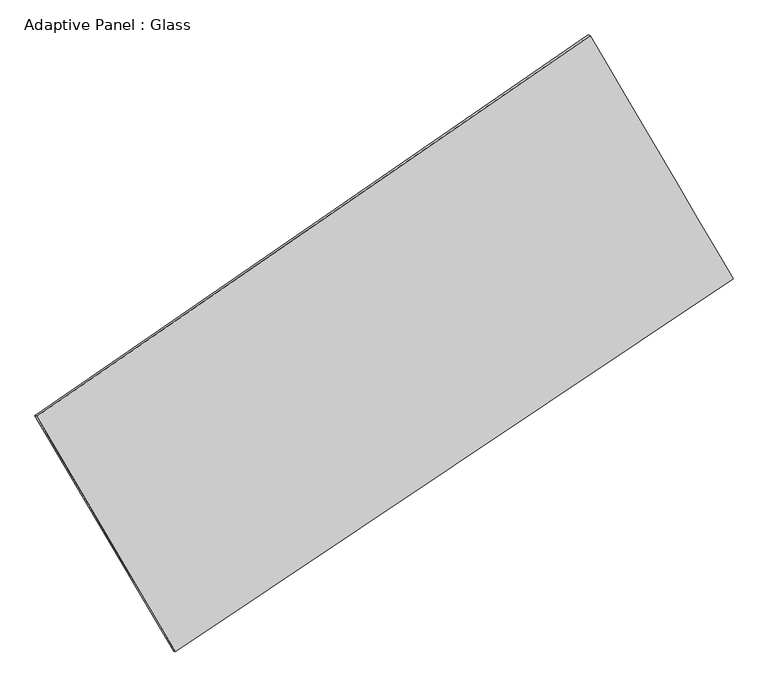
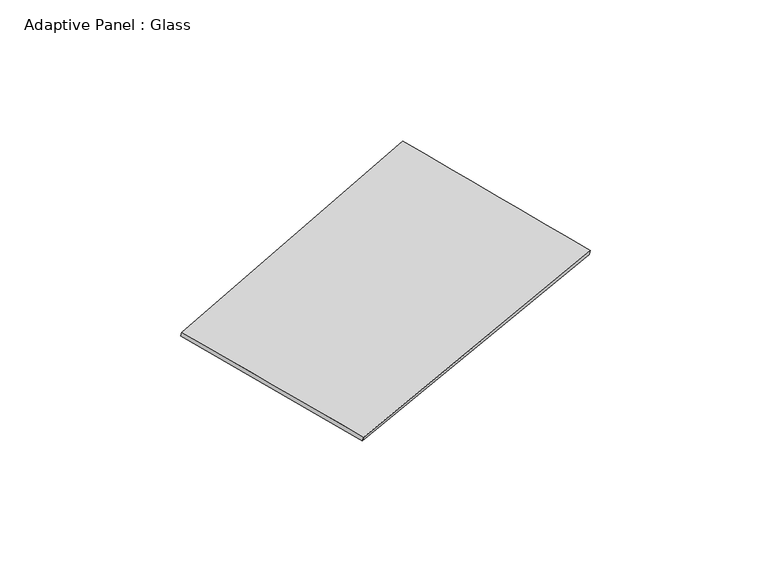
"""IFC4 building model written with IfcOpenShell, lengths in millimetres: plate geometry, Adaptive Panel : Glass."""

from ifc_helpers import new_model, si_unit, frame, origin, place, context, project, spatial, source, transform, mapped, element, save
from ifc_brep_helpers import plane_surface, spline_surface, advanced_brep


def adaptive_panel_glass_f2feb092(model_context):
    return source(origin(), model_context, "Body", "AdvancedBrep", [
        advanced_brep(
        [(1128.681574, 2573.1808657, 684.8736375), (-3644.6219937, -710.5562114, 1711.2782552), (-3629.9556379, -716.9363049, 1758.6511632), (1143.3479298, 2566.8007722, 732.2465455), (-2448.2457289, -2739.4079446, 1076.9334097), (-2433.5793731, -2745.788038, 1124.3063177), (2360.8955705, 476.5347174, 12.0372178), (2375.5619263, 470.154624, 59.4101259)],
        [
            (0, 1),
            (1, 2),
            (2, 3),
            (3, 0),
            (1, 4),
            (4, 5),
            (5, 2),
            (4, 6),
            (6, 7),
            (7, 5),
            (6, 0),
            (3, 7),
        ],
        [
            plane_surface(frame((-1257.9702099, 931.3123271, 1198.0759463), z_axis=(-0.506502567338138, 0.8197865872108748, 0.267217328609171), x_axis=(-0.8112414133239559, -0.5580838238395702, 0.17444143681119473))),
            plane_surface(frame((-3046.4338613, -1724.982078, 1394.1058324), z_axis=(-0.8212390487236574, -0.5409837700429985, 0.1813918008111909), x_axis=(0.49046855634194225, -0.8317516904013551, -0.2600571490160182))),
            plane_surface(frame((-43.6750792, -1131.4366136, 544.4853138), z_axis=(0.49487086399025787, -0.8276762446812381, -0.2646787901663055), x_axis=(0.8175297447066106, 0.5466940186996322, -0.1810269771000733))),
            plane_surface(frame((1744.7885722, 1524.8577916, 348.4554277), z_axis=(0.8212899155816545, 0.5408973593321872, -0.1814191865028221), x_axis=(-0.48833653306580593, 0.8309180986684971, 0.2666506024339696))),
            spline_surface(1, 1, [[(-3629.9556379, -716.9363049, 1758.6511632), (1143.3479298, 2566.8007722, 732.2465455)], [(-2433.5793731, -2745.788038, 1124.3063177), (2375.5619263, 470.154624, 59.4101259)]], [2, 2], [2, 2], [0.0, 1.0], [0.0, 1.0]),
            spline_surface(1, 1, [[(2360.8955705, 476.5347174, 12.0372178), (1128.681574, 2573.1808657, 684.8736375)], [(-2448.2457289, -2739.4079446, 1076.9334097), (-3644.6219937, -710.5562114, 1711.2782552)]], [2, 2], [2, 2], [0.0, 1.0], [0.0, 1.0]),
        ],
        [
            (0, [[1, 2, 3, 4]]),
            (1, [[5, 6, 7, -2]]),
            (2, [[8, 9, 10, -6]]),
            (3, [[11, -4, 12, -9]]),
            (4, [[-3, -7, -10, -12]]),
            (5, [[-11, -8, -5, -1]]),
        ],
    ),
    ])


if __name__ == "__main__":
    model = new_model("IFC4")
    model_context = context("Model", 3, world=origin())
    ifc_project = project(units=[si_unit("LENGTHUNIT", "METRE", prefix="MILLI")], contexts=[model_context])
    site = spatial("IfcSite", under=ifc_project)
    building = spatial("IfcBuilding", under=site)
    placement = place(None, origin())
    adaptive_panel_glass_shape = adaptive_panel_glass_f2feb092(model_context)
    element("IfcPlate", 1, ObjectType="Adaptive Panel : Glass", at=placement, inside=building, context=model_context, shape_type="MappedRepresentation", body=[
        mapped(adaptive_panel_glass_shape, transform((0.0, 0.0, 0.0), x_axis=(1.0, 0.0, 0.0), y_axis=(0.0, 1.0, 0.0), z_axis=(0.0, 0.0, 1.0))),
    ])
    save(model, "model.ifc")
